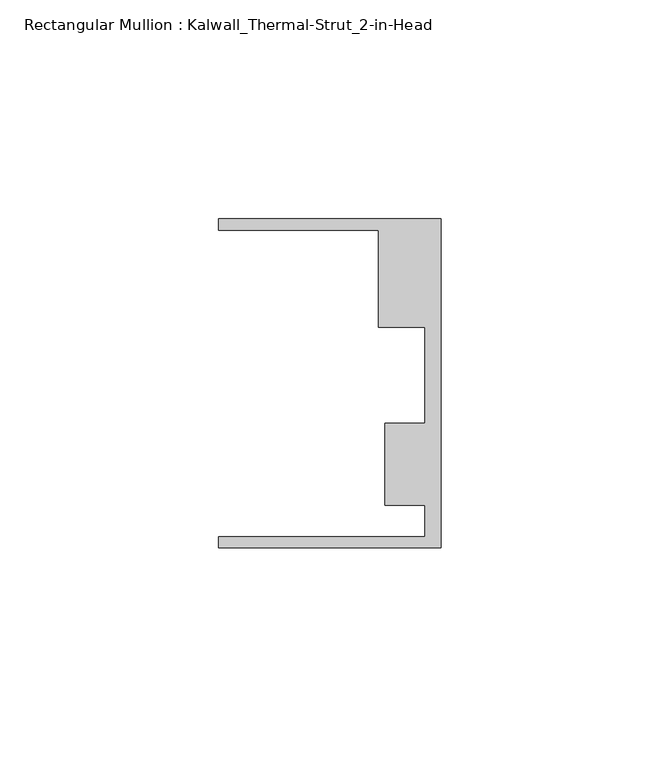
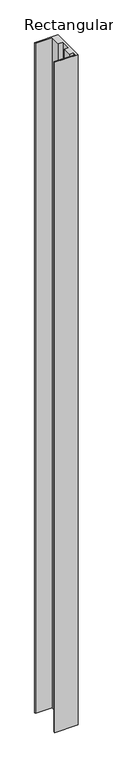
"""IFC4 building model written with IfcOpenShell, lengths in millimetres: member geometry, Rectangular Mullion : Kalwall_Thermal-Strut_2-in-Head."""

from ifc_helpers import new_model, si_unit, frame, origin, place, context, project, spatial, polyline, outline, extrude, source, transform, mapped, element, save


def rectangular_mullion_kalwall_thermal_strut_2_in_head_b689d629(model_context):
    return source(origin(), model_context, "Body", "SweptSolid", [
        extrude(outline(polyline([(0.0, -37.5776386), (-50.8, -37.5776386), (-50.8, -35.0376386), (-3.7084, -35.0376386), (-3.7084, -27.8888568), (-12.8272539, -27.8888568), (-12.8272539, -9.1879886), (-3.7084, -9.1879886), (-3.7084, 12.7373614), (-14.2875, 12.7373614), (-14.2875, 34.9623614), (-50.8, 34.9623614), (-50.8, 37.5023614), (0.0, 37.5023614), (0.0, -37.5776386)])), frame((0.0, 0.0, -1539.9742188), z_axis=(0.0, 0.0, 1.0), x_axis=(1.0, 0.0, 0.0)), (0.0, 0.0, 1.0), 1539.9742188),
    ])


if __name__ == "__main__":
    model = new_model("IFC4")
    model_context = context("Model", 3, world=origin())
    ifc_project = project(units=[si_unit("LENGTHUNIT", "METRE", prefix="MILLI")], contexts=[model_context])
    site = spatial("IfcSite", under=ifc_project)
    building = spatial("IfcBuilding", under=site)
    placement = place(None, origin())
    rectangular_mullion_kalwall_thermal_strut_2_in_head_shape = rectangular_mullion_kalwall_thermal_strut_2_in_head_b689d629(model_context)
    element("IfcMember", 1, ObjectType="Rectangular Mullion : Kalwall_Thermal-Strut_2-in-Head", at=placement, inside=building, context=model_context, shape_type="MappedRepresentation", body=[
        mapped(rectangular_mullion_kalwall_thermal_strut_2_in_head_shape, transform((0.0, 0.0, 0.0), x_axis=(1.0, 0.0, 0.0), y_axis=(0.0, 1.0, 0.0), z_axis=(0.0, 0.0, 1.0))),
    ])
    save(model, "model.ifc")
